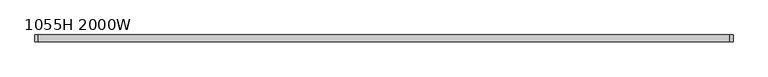
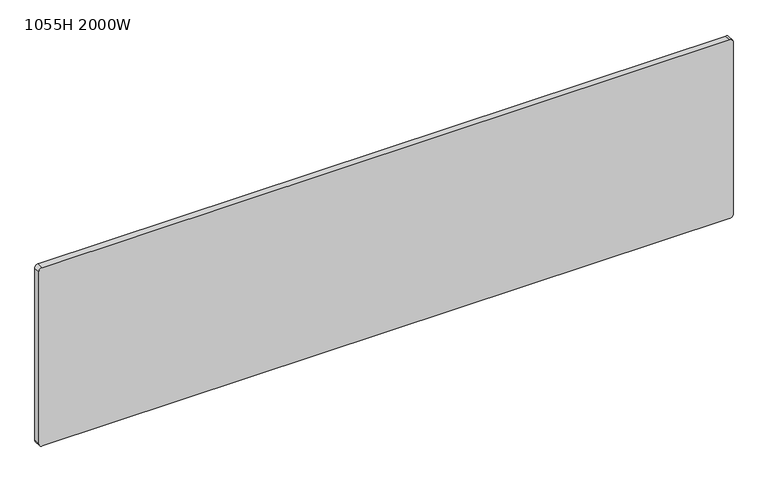
"""IFC4 building model written with IfcOpenShell, lengths in millimetres: furniture geometry, 1055H 2000W."""

from ifc_helpers import new_model, si_unit, point, frame, frame_2d, origin, place, context, project, spatial, polyline, circle_curve, trimmed, segment, composite_curve, outline, extrude, source, transform, mapped, element, save


def furniture_1055h_2000w_08cf6d3b(model_context):
    return source(origin(), model_context, "Body", "SweptSolid", [
        extrude(outline(composite_curve([segment(trimmed(circle_curve(frame_2d((540.0, 1002.5)), 10.0), [point((530.0, 1002.5))], [point((540.0, 1012.5))], False, "CARTESIAN"), True, "CONTINUOUS"), segment(polyline([(540.0, 1012.5), (1070.0, 1012.5)]), True, "CONTINUOUS"), segment(trimmed(circle_curve(frame_2d((1070.0, 1002.5)), 10.0), [point((1070.0, 1012.5))], [point((1080.0, 1002.5))], False, "CARTESIAN"), True, "CONTINUOUS"), segment(polyline([(1080.0, 1002.5), (1080.0, -1002.5)]), True, "CONTINUOUS"), segment(trimmed(circle_curve(frame_2d((1070.0, -1002.5)), 10.0), [point((1080.0, -1002.5))], [point((1070.0, -1012.5))], False, "CARTESIAN"), True, "CONTINUOUS"), segment(polyline([(1070.0, -1012.5), (540.0, -1012.5)]), True, "CONTINUOUS"), segment(trimmed(circle_curve(frame_2d((540.0, -1002.5)), 10.0), [point((540.0, -1012.5))], [point((530.0, -1002.5))], False, "CARTESIAN"), True, "CONTINUOUS"), segment(polyline([(530.0, -1002.5), (530.0, 1002.5)]), True, "CONTINUOUS")], self_intersect=False)), frame((0.0, -10.0, 0.0), z_axis=(0.0, 1.0, 0.0), x_axis=(0.0, 0.0, 1.0)), (0.0, 0.0, 1.0), 20.0),
    ])


if __name__ == "__main__":
    model = new_model("IFC4")
    model_context = context("Model", 3, world=origin())
    ifc_project = project(units=[si_unit("LENGTHUNIT", "METRE", prefix="MILLI")], contexts=[model_context])
    site = spatial("IfcSite", under=ifc_project)
    building = spatial("IfcBuilding", under=site)
    placement = place(None, origin())
    furniture_1055h_2000w_shape = furniture_1055h_2000w_08cf6d3b(model_context)
    element("IfcFurniture", 1, ObjectType="1055H 2000W", at=placement, inside=building, context=model_context, shape_type="MappedRepresentation", body=[
        mapped(furniture_1055h_2000w_shape, transform((0.0, 0.0, 0.0), x_axis=(1.0, 0.0, 0.0), y_axis=(0.0, 1.0, 0.0), z_axis=(0.0, 0.0, 1.0))),
    ])
    save(model, "model.ifc")
